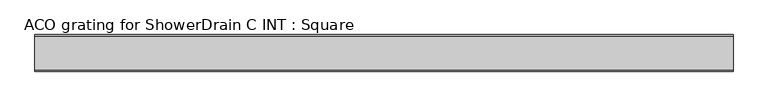
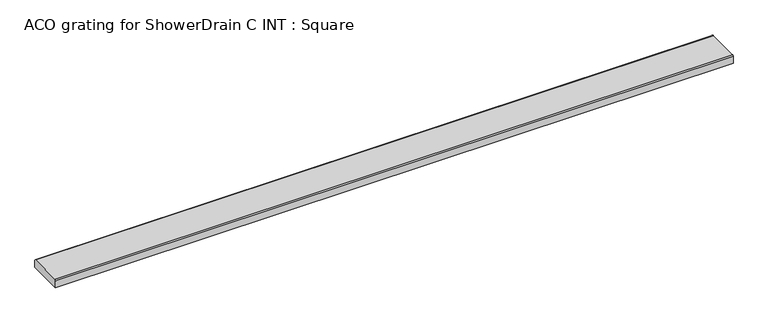
"""IFC4 building model written with IfcOpenShell, lengths in millimetres: sanitary terminal geometry, ACO grating for ShowerDrain C INT : Square."""

from ifc_helpers import new_model, si_unit, point, frame, frame_2d, origin, place, context, project, spatial, polyline, circle_curve, trimmed, segment, composite_curve, outline, extrude, source, transform, mapped, element, save


def aco_grating_for_showerdrain_c_int_square_9a3e43a5(model_context):
    return source(origin(), model_context, "Body", "SweptSolid", [
        extrude(outline(composite_curve([segment(polyline([(31.0, -15.0), (-31.0, -15.0), (-31.0, -1.977849)]), True, "CONTINUOUS"), segment(trimmed(circle_curve(frame_2d((-29.022151, -1.977849)), 1.977849), [point((-31.0, -1.977849))], [point((-29.022151, 0.0))], False, "CARTESIAN"), True, "CONTINUOUS"), segment(polyline([(-29.022151, 0.0), (29.022151, 0.0)]), True, "CONTINUOUS"), segment(trimmed(circle_curve(frame_2d((29.022151, -1.977849)), 1.977849), [point((29.022151, 0.0))], [point((31.0, -1.977849))], False, "CARTESIAN"), True, "CONTINUOUS"), segment(polyline([(31.0, -1.977849), (31.0, -15.0)]), True, "CONTINUOUS")], self_intersect=False)), frame((-590.5, 0.0, 0.0), z_axis=(1.0, 0.0, 0.0), x_axis=(0.0, 1.0, 0.0)), (0.0, 0.0, 1.0), 1181.0),
    ])


if __name__ == "__main__":
    model = new_model("IFC4")
    model_context = context("Model", 3, world=origin())
    ifc_project = project(units=[si_unit("LENGTHUNIT", "METRE", prefix="MILLI")], contexts=[model_context])
    site = spatial("IfcSite", under=ifc_project)
    building = spatial("IfcBuilding", under=site)
    placement = place(None, origin())
    aco_grating_for_showerdrain_c_int_square_shape = aco_grating_for_showerdrain_c_int_square_9a3e43a5(model_context)
    element("IfcSanitaryTerminal", 1, ObjectType="ACO grating for ShowerDrain C INT : Square", at=placement, inside=building, context=model_context, shape_type="MappedRepresentation", body=[
        mapped(aco_grating_for_showerdrain_c_int_square_shape, transform((0.0, 0.0, 0.0), x_axis=(1.0, 0.0, 0.0), y_axis=(0.0, 1.0, 0.0), z_axis=(0.0, 0.0, 1.0))),
    ])
    save(model, "model.ifc")
